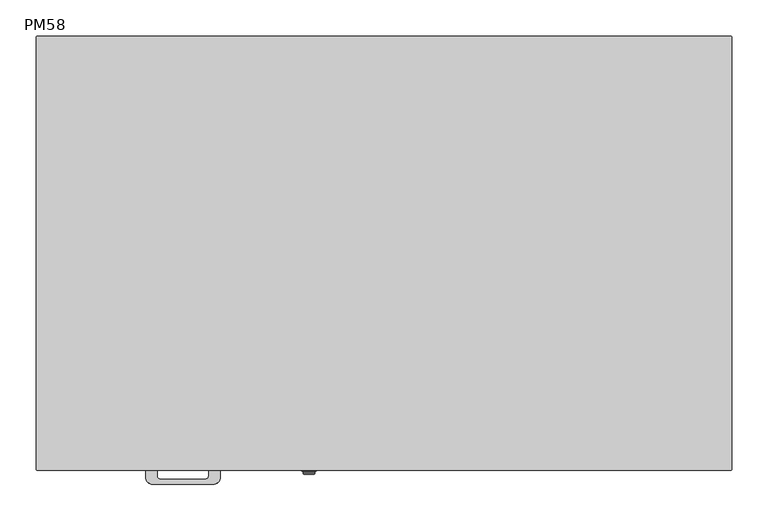
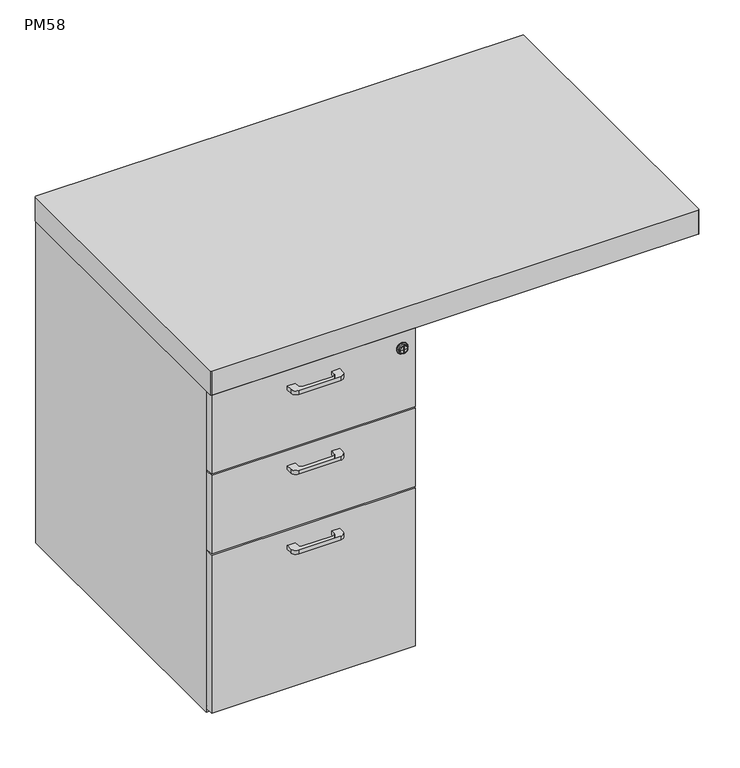
"""IFC4 building model written with IfcOpenShell, lengths in millimetres: furniture geometry, PM58."""

from ifc_helpers import new_model, si_unit, point, frame, frame_2d, origin, place, context, project, spatial, polyline, circle_curve, ellipse_curve, trimmed, segment, composite_curve, outline, extrude, source, transform, mapped, element, save
from ifc_brep_helpers import plane_surface, cylinder_surface, revolved_surface, advanced_brep


def pm58_c7639510(model_context):
    return source(origin(), model_context, "Body", "SolidModel", [
        advanced_brep(
        [(-128.0, 247.0, 1.0), (-98.0, 247.0, 1.0), (-99.0, 247.0, 0.0), (-127.0, 247.0, 0.0), (-128.0, 247.0, 2.0), (-98.0, 247.0, 2.0), (-129.9260237, 247.0, 2.0), (-96.0739763, 247.0, 2.0), (-130.9234824, 247.0, 3.071247), (-95.0765176, 247.0, 3.071247), (-130.5, 247.0, 9.0), (-95.5, 247.0, 9.0), (-113.0, 247.0, 9.0), (-113.0, 247.0, 0.0)],
        [
            (0, 1, circle_curve(frame((-113.0, 247.0, 1.0), z_axis=(0.0, 0.0, -1.0), x_axis=(1.0, 0.0, 0.0)), 15.0)),
            (1, 2, circle_curve(frame((-99.0, 247.0, 1.0), z_axis=(0.0, 1.0, 0.0), x_axis=(1.0, 0.0, 0.0)), 1.0)),
            (2, 3, circle_curve(frame((-113.0, 247.0, 0.0), z_axis=(0.0, 0.0, 1.0), x_axis=(1.0, 0.0, 0.0)), 14.0)),
            (3, 0, circle_curve(frame((-127.0, 247.0, 1.0), z_axis=(0.0, 1.0, 0.0), x_axis=(-1.0, 0.0, 0.0)), 1.0)),
            (1, 0, circle_curve(frame((-113.0, 247.0, 1.0), z_axis=(0.0, 0.0, -1.0), x_axis=(1.0, 0.0, 0.0)), 15.0)),
            (3, 2, circle_curve(frame((-113.0, 247.0, 0.0), z_axis=(0.0, 0.0, 1.0), x_axis=(1.0, 0.0, 0.0)), 14.0)),
            (4, 5, circle_curve(frame((-113.0, 247.0, 2.0), z_axis=(0.0, 0.0, -1.0), x_axis=(1.0, 0.0, 0.0)), 15.0)),
            (5, 1),
            (0, 4),
            (5, 4, circle_curve(frame((-113.0, 247.0, 2.0), z_axis=(0.0, 0.0, -1.0), x_axis=(1.0, 0.0, 0.0)), 15.0)),
            (6, 7, circle_curve(frame((-113.0, 247.0, 2.0), z_axis=(0.0, 0.0, -1.0), x_axis=(1.0, 0.0, 0.0)), 16.9260237)),
            (7, 5),
            (4, 6),
            (7, 6, circle_curve(frame((-113.0, 247.0, 2.0), z_axis=(0.0, 0.0, -1.0), x_axis=(1.0, 0.0, 0.0)), 16.9260237)),
            (8, 9, circle_curve(frame((-113.0, 247.0, 3.071247), z_axis=(0.0, 0.0, -1.0), x_axis=(1.0, 0.0, 0.0)), 17.9234824)),
            (9, 7, circle_curve(frame((-96.0739763, 247.0, 3.0), z_axis=(0.0, 1.0, 0.0), x_axis=(1.0, 0.0, 0.0)), 1.0)),
            (6, 8, circle_curve(frame((-129.9260237, 247.0, 3.0), z_axis=(0.0, 1.0, 0.0), x_axis=(-1.0, 0.0, 0.0)), 1.0)),
            (9, 8, circle_curve(frame((-113.0, 247.0, 3.071247), z_axis=(0.0, 0.0, -1.0), x_axis=(1.0, 0.0, 0.0)), 17.9234824)),
            (10, 11, circle_curve(frame((-113.0, 247.0, 9.0), z_axis=(0.0, 0.0, -1.0), x_axis=(1.0, 0.0, 0.0)), 17.5)),
            (11, 9),
            (8, 10),
            (11, 10, circle_curve(frame((-113.0, 247.0, 9.0), z_axis=(0.0, 0.0, -1.0), x_axis=(1.0, 0.0, 0.0)), 17.5)),
            (12, 11),
            (10, 12),
            (2, 13),
            (13, 3),
        ],
        [
            revolved_surface(trimmed(ellipse_curve(frame((-99.0, 247.0, 1.0), z_axis=(0.0, -1.0, 0.0), x_axis=(1.0, 0.0, 0.0)), 1.0, 1.0), [point((-99.0, 247.0, 0.0))], [point((-98.0, 247.0, 1.0))], True, "CARTESIAN"), (-113.0, 247.0, 14.0), (0.0, 0.0, 1.0)),
            cylinder_surface(frame((-113.0, 247.0, 14.0), z_axis=(0.0, 0.0, 1.0), x_axis=(1.0, 0.0, 0.0)), 15.0),
            plane_surface(frame((-113.0, 247.0, 2.0), z_axis=(0.0, 0.0, -1.0), x_axis=(1.0, 0.0, 0.0))),
            revolved_surface(trimmed(ellipse_curve(frame((-96.0739763, 247.0, 3.0), z_axis=(0.0, -1.0, 0.0), x_axis=(1.0, 0.0, 0.0)), 1.0, 1.0), [point((-96.0739763, 247.0, 2.0))], [point((-95.0765176, 247.0, 3.071247))], True, "CARTESIAN"), (-113.0, 247.0, 14.0), (0.0, 0.0, 1.0)),
            revolved_surface(polyline([(-95.0765176, 247.0, 3.071247), (-95.5, 247.0, 9.0)]), (-113.0, 247.0, 14.0), (0.0, 0.0, 1.0)),
            plane_surface(frame((-113.0, 247.0, 9.0), z_axis=(0.0, 0.0, 1.0), x_axis=(1.0, 0.0, 0.0))),
            plane_surface(frame((-113.0, 247.0, 0.0), z_axis=(0.0, 0.0, -1.0), x_axis=(1.0, 0.0, 0.0))),
        ],
        [
            (0, [[1, 2, 3, 4]]),
            (0, [[5, -4, 6, -2]]),
            (1, [[7, 8, -1, 9]]),
            (1, [[10, -9, -5, -8]]),
            (2, [[11, 12, -7, 13]]),
            (2, [[14, -13, -10, -12]]),
            (3, [[15, 16, -11, 17]]),
            (3, [[18, -17, -14, -16]]),
            (4, [[19, 20, -15, 21]]),
            (4, [[22, -21, -18, -20]]),
            (5, [[23, -19, 24]]),
            (5, [[-24, -22, -23]]),
            (6, [[-3, 25, 26]]),
            (6, [[-6, -26, -25]]),
        ],
    ),
        extrude(outline(composite_curve([segment(trimmed(circle_curve(frame_2d((-97.0, 263.0)), 1.5), [point((-97.0, 264.5))], [point((-95.5, 263.0))], False, "CARTESIAN"), True, "CONTINUOUS"), segment(polyline([(-95.5, 263.0), (-95.5, 231.0)]), True, "CONTINUOUS"), segment(trimmed(circle_curve(frame_2d((-97.0, 231.0)), 1.5), [point((-95.5, 231.0))], [point((-97.0, 229.5))], False, "CARTESIAN"), True, "CONTINUOUS"), segment(polyline([(-97.0, 229.5), (-129.0, 229.5)]), True, "CONTINUOUS"), segment(trimmed(circle_curve(frame_2d((-129.0, 231.0)), 1.5), [point((-129.0, 229.5))], [point((-130.5, 231.0))], False, "CARTESIAN"), True, "CONTINUOUS"), segment(polyline([(-130.5, 231.0), (-130.5, 263.0)]), True, "CONTINUOUS"), segment(trimmed(circle_curve(frame_2d((-129.0, 263.0)), 1.5), [point((-130.5, 263.0))], [point((-129.0, 264.5))], False, "CARTESIAN"), True, "CONTINUOUS"), segment(polyline([(-129.0, 264.5), (-97.0, 264.5)]), True, "CONTINUOUS")], self_intersect=False)), frame((0.0, 0.0, 9.0), z_axis=(0.0, 0.0, 1.0), x_axis=(1.0, 0.0, 0.0)), (0.0, 0.0, 1.0), 11.0),
        advanced_brep(
        [(-458.0, 247.0, 1.0), (-428.0, 247.0, 1.0), (-429.0, 247.0, 0.0), (-457.0, 247.0, 0.0), (-458.0, 247.0, 2.0), (-428.0, 247.0, 2.0), (-459.9260237, 247.0, 2.0), (-426.0739763, 247.0, 2.0), (-460.9234824, 247.0, 3.071247), (-425.0765176, 247.0, 3.071247), (-460.5, 247.0, 9.0), (-425.5, 247.0, 9.0), (-443.0, 247.0, 9.0), (-443.0, 247.0, 0.0)],
        [
            (0, 1, circle_curve(frame((-443.0, 247.0, 1.0), z_axis=(0.0, 0.0, -1.0), x_axis=(1.0, 0.0, 0.0)), 15.0)),
            (1, 2, circle_curve(frame((-429.0, 247.0, 1.0), z_axis=(0.0, 1.0, 0.0), x_axis=(1.0, 0.0, 0.0)), 1.0)),
            (2, 3, circle_curve(frame((-443.0, 247.0, 0.0), z_axis=(0.0, 0.0, 1.0), x_axis=(1.0, 0.0, 0.0)), 14.0)),
            (3, 0, circle_curve(frame((-457.0, 247.0, 1.0), z_axis=(0.0, 1.0, 0.0), x_axis=(-1.0, 0.0, 0.0)), 1.0)),
            (1, 0, circle_curve(frame((-443.0, 247.0, 1.0), z_axis=(0.0, 0.0, -1.0), x_axis=(1.0, 0.0, 0.0)), 15.0)),
            (3, 2, circle_curve(frame((-443.0, 247.0, 0.0), z_axis=(0.0, 0.0, 1.0), x_axis=(1.0, 0.0, 0.0)), 14.0)),
            (4, 5, circle_curve(frame((-443.0, 247.0, 2.0), z_axis=(0.0, 0.0, -1.0), x_axis=(1.0, 0.0, 0.0)), 15.0)),
            (5, 1),
            (0, 4),
            (5, 4, circle_curve(frame((-443.0, 247.0, 2.0), z_axis=(0.0, 0.0, -1.0), x_axis=(1.0, 0.0, 0.0)), 15.0)),
            (6, 7, circle_curve(frame((-443.0, 247.0, 2.0), z_axis=(0.0, 0.0, -1.0), x_axis=(1.0, 0.0, 0.0)), 16.9260237)),
            (7, 5),
            (4, 6),
            (7, 6, circle_curve(frame((-443.0, 247.0, 2.0), z_axis=(0.0, 0.0, -1.0), x_axis=(1.0, 0.0, 0.0)), 16.9260237)),
            (8, 9, circle_curve(frame((-443.0, 247.0, 3.071247), z_axis=(0.0, 0.0, -1.0), x_axis=(1.0, 0.0, 0.0)), 17.9234824)),
            (9, 7, circle_curve(frame((-426.0739763, 247.0, 3.0), z_axis=(0.0, 1.0, 0.0), x_axis=(1.0, 0.0, 0.0)), 1.0)),
            (6, 8, circle_curve(frame((-459.9260237, 247.0, 3.0), z_axis=(0.0, 1.0, 0.0), x_axis=(-1.0, 0.0, 0.0)), 1.0)),
            (9, 8, circle_curve(frame((-443.0, 247.0, 3.071247), z_axis=(0.0, 0.0, -1.0), x_axis=(1.0, 0.0, 0.0)), 17.9234824)),
            (10, 11, circle_curve(frame((-443.0, 247.0, 9.0), z_axis=(0.0, 0.0, -1.0), x_axis=(1.0, 0.0, 0.0)), 17.5)),
            (11, 9),
            (8, 10),
            (11, 10, circle_curve(frame((-443.0, 247.0, 9.0), z_axis=(0.0, 0.0, -1.0), x_axis=(1.0, 0.0, 0.0)), 17.5)),
            (12, 11),
            (10, 12),
            (2, 13),
            (13, 3),
        ],
        [
            revolved_surface(trimmed(ellipse_curve(frame((-429.0, 247.0, 1.0), z_axis=(0.0, -1.0, 0.0), x_axis=(1.0, 0.0, 0.0)), 1.0, 1.0), [point((-429.0, 247.0, 0.0))], [point((-428.0, 247.0, 1.0))], True, "CARTESIAN"), (-443.0, 247.0, 14.0), (0.0, 0.0, 1.0)),
            cylinder_surface(frame((-443.0, 247.0, 14.0), z_axis=(0.0, 0.0, 1.0), x_axis=(1.0, 0.0, 0.0)), 15.0),
            plane_surface(frame((-443.0, 247.0, 2.0), z_axis=(0.0, 0.0, -1.0), x_axis=(1.0, 0.0, 0.0))),
            revolved_surface(trimmed(ellipse_curve(frame((-426.0739763, 247.0, 3.0), z_axis=(0.0, -1.0, 0.0), x_axis=(1.0, 0.0, 0.0)), 1.0, 1.0), [point((-426.0739763, 247.0, 2.0))], [point((-425.0765176, 247.0, 3.071247))], True, "CARTESIAN"), (-443.0, 247.0, 14.0), (0.0, 0.0, 1.0)),
            revolved_surface(polyline([(-425.0765176, 247.0, 3.071247), (-425.5, 247.0, 9.0)]), (-443.0, 247.0, 14.0), (0.0, 0.0, 1.0)),
            plane_surface(frame((-443.0, 247.0, 9.0), z_axis=(0.0, 0.0, 1.0), x_axis=(1.0, 0.0, 0.0))),
            plane_surface(frame((-443.0, 247.0, 0.0), z_axis=(0.0, 0.0, -1.0), x_axis=(1.0, 0.0, 0.0))),
        ],
        [
            (0, [[1, 2, 3, 4]]),
            (0, [[5, -4, 6, -2]]),
            (1, [[7, 8, -1, 9]]),
            (1, [[10, -9, -5, -8]]),
            (2, [[11, 12, -7, 13]]),
            (2, [[14, -13, -10, -12]]),
            (3, [[15, 16, -11, 17]]),
            (3, [[18, -17, -14, -16]]),
            (4, [[19, 20, -15, 21]]),
            (4, [[22, -21, -18, -20]]),
            (5, [[23, -19, 24]]),
            (5, [[-24, -22, -23]]),
            (6, [[-3, 25, 26]]),
            (6, [[-6, -26, -25]]),
        ],
    ),
        extrude(outline(composite_curve([segment(trimmed(circle_curve(frame_2d((-427.0, 263.0)), 1.5), [point((-427.0, 264.5))], [point((-425.5, 263.0))], False, "CARTESIAN"), True, "CONTINUOUS"), segment(polyline([(-425.5, 263.0), (-425.5, 231.0)]), True, "CONTINUOUS"), segment(trimmed(circle_curve(frame_2d((-427.0, 231.0)), 1.5), [point((-425.5, 231.0))], [point((-427.0, 229.5))], False, "CARTESIAN"), True, "CONTINUOUS"), segment(polyline([(-427.0, 229.5), (-459.0, 229.5)]), True, "CONTINUOUS"), segment(trimmed(circle_curve(frame_2d((-459.0, 231.0)), 1.5), [point((-459.0, 229.5))], [point((-460.5, 231.0))], False, "CARTESIAN"), True, "CONTINUOUS"), segment(polyline([(-460.5, 231.0), (-460.5, 263.0)]), True, "CONTINUOUS"), segment(trimmed(circle_curve(frame_2d((-459.0, 263.0)), 1.5), [point((-460.5, 263.0))], [point((-459.0, 264.5))], False, "CARTESIAN"), True, "CONTINUOUS"), segment(polyline([(-459.0, 264.5), (-427.0, 264.5)]), True, "CONTINUOUS")], self_intersect=False)), frame((0.0, 0.0, 9.0), z_axis=(0.0, 0.0, 1.0), x_axis=(1.0, 0.0, 0.0)), (0.0, 0.0, 1.0), 11.0),
        advanced_brep(
        [(-128.0, -235.0, 1.0), (-98.0, -235.0, 1.0), (-99.0, -235.0, 0.0), (-127.0, -235.0, 0.0), (-128.0, -235.0, 2.0), (-98.0, -235.0, 2.0), (-129.9260237, -235.0, 2.0), (-96.0739763, -235.0, 2.0), (-130.9234824, -235.0, 3.071247), (-95.0765176, -235.0, 3.071247), (-130.5, -235.0, 9.0), (-95.5, -235.0, 9.0), (-113.0, -235.0, 9.0), (-113.0, -235.0, 0.0)],
        [
            (0, 1, circle_curve(frame((-113.0, -235.0, 1.0), z_axis=(0.0, 0.0, -1.0), x_axis=(1.0, 0.0, 0.0)), 15.0)),
            (1, 2, circle_curve(frame((-99.0, -235.0, 1.0), z_axis=(0.0, 1.0, 0.0), x_axis=(1.0, 0.0, 0.0)), 1.0)),
            (2, 3, circle_curve(frame((-113.0, -235.0, 0.0), z_axis=(0.0, 0.0, 1.0), x_axis=(1.0, 0.0, 0.0)), 14.0)),
            (3, 0, circle_curve(frame((-127.0, -235.0, 1.0), z_axis=(0.0, 1.0, 0.0), x_axis=(-1.0, 0.0, 0.0)), 1.0)),
            (1, 0, circle_curve(frame((-113.0, -235.0, 1.0), z_axis=(0.0, 0.0, -1.0), x_axis=(1.0, 0.0, 0.0)), 15.0)),
            (3, 2, circle_curve(frame((-113.0, -235.0, 0.0), z_axis=(0.0, 0.0, 1.0), x_axis=(1.0, 0.0, 0.0)), 14.0)),
            (4, 5, circle_curve(frame((-113.0, -235.0, 2.0), z_axis=(0.0, 0.0, -1.0), x_axis=(1.0, 0.0, 0.0)), 15.0)),
            (5, 1),
            (0, 4),
            (5, 4, circle_curve(frame((-113.0, -235.0, 2.0), z_axis=(0.0, 0.0, -1.0), x_axis=(1.0, 0.0, 0.0)), 15.0)),
            (6, 7, circle_curve(frame((-113.0, -235.0, 2.0), z_axis=(0.0, 0.0, -1.0), x_axis=(1.0, 0.0, 0.0)), 16.9260237)),
            (7, 5),
            (4, 6),
            (7, 6, circle_curve(frame((-113.0, -235.0, 2.0), z_axis=(0.0, 0.0, -1.0), x_axis=(1.0, 0.0, 0.0)), 16.9260237)),
            (8, 9, circle_curve(frame((-113.0, -235.0, 3.071247), z_axis=(0.0, 0.0, -1.0), x_axis=(1.0, 0.0, 0.0)), 17.9234824)),
            (9, 7, circle_curve(frame((-96.0739763, -235.0, 3.0), z_axis=(0.0, 1.0, 0.0), x_axis=(1.0, 0.0, 0.0)), 1.0)),
            (6, 8, circle_curve(frame((-129.9260237, -235.0, 3.0), z_axis=(0.0, 1.0, 0.0), x_axis=(-1.0, 0.0, 0.0)), 1.0)),
            (9, 8, circle_curve(frame((-113.0, -235.0, 3.071247), z_axis=(0.0, 0.0, -1.0), x_axis=(1.0, 0.0, 0.0)), 17.9234824)),
            (10, 11, circle_curve(frame((-113.0, -235.0, 9.0), z_axis=(0.0, 0.0, -1.0), x_axis=(1.0, 0.0, 0.0)), 17.5)),
            (11, 9),
            (8, 10),
            (11, 10, circle_curve(frame((-113.0, -235.0, 9.0), z_axis=(0.0, 0.0, -1.0), x_axis=(1.0, 0.0, 0.0)), 17.5)),
            (12, 11),
            (10, 12),
            (2, 13),
            (13, 3),
        ],
        [
            revolved_surface(trimmed(ellipse_curve(frame((-99.0, -235.0, 1.0), z_axis=(0.0, -1.0, 0.0), x_axis=(1.0, 0.0, 0.0)), 1.0, 1.0), [point((-99.0, -235.0, 0.0))], [point((-98.0, -235.0, 1.0))], True, "CARTESIAN"), (-113.0, -235.0, 14.0), (0.0, 0.0, 1.0)),
            cylinder_surface(frame((-113.0, -235.0, 14.0), z_axis=(0.0, 0.0, 1.0), x_axis=(1.0, 0.0, 0.0)), 15.0),
            plane_surface(frame((-113.0, -235.0, 2.0), z_axis=(0.0, 0.0, -1.0), x_axis=(1.0, 0.0, 0.0))),
            revolved_surface(trimmed(ellipse_curve(frame((-96.0739763, -235.0, 3.0), z_axis=(0.0, -1.0, 0.0), x_axis=(1.0, 0.0, 0.0)), 1.0, 1.0), [point((-96.0739763, -235.0, 2.0))], [point((-95.0765176, -235.0, 3.071247))], True, "CARTESIAN"), (-113.0, -235.0, 14.0), (0.0, 0.0, 1.0)),
            revolved_surface(polyline([(-95.0765176, -235.0, 3.071247), (-95.5, -235.0, 9.0)]), (-113.0, -235.0, 14.0), (0.0, 0.0, 1.0)),
            plane_surface(frame((-113.0, -235.0, 9.0), z_axis=(0.0, 0.0, 1.0), x_axis=(1.0, 0.0, 0.0))),
            plane_surface(frame((-113.0, -235.0, 0.0), z_axis=(0.0, 0.0, -1.0), x_axis=(1.0, 0.0, 0.0))),
        ],
        [
            (0, [[1, 2, 3, 4]]),
            (0, [[5, -4, 6, -2]]),
            (1, [[7, 8, -1, 9]]),
            (1, [[10, -9, -5, -8]]),
            (2, [[11, 12, -7, 13]]),
            (2, [[14, -13, -10, -12]]),
            (3, [[15, 16, -11, 17]]),
            (3, [[18, -17, -14, -16]]),
            (4, [[19, 20, -15, 21]]),
            (4, [[22, -21, -18, -20]]),
            (5, [[23, -19, 24]]),
            (5, [[-24, -22, -23]]),
            (6, [[-3, 25, 26]]),
            (6, [[-6, -26, -25]]),
        ],
    ),
        extrude(outline(composite_curve([segment(trimmed(circle_curve(frame_2d((-97.0, -219.0)), 1.5), [point((-97.0, -217.5))], [point((-95.5, -219.0))], False, "CARTESIAN"), True, "CONTINUOUS"), segment(polyline([(-95.5, -219.0), (-95.5, -251.0)]), True, "CONTINUOUS"), segment(trimmed(circle_curve(frame_2d((-97.0, -251.0)), 1.5), [point((-95.5, -251.0))], [point((-97.0, -252.5))], False, "CARTESIAN"), True, "CONTINUOUS"), segment(polyline([(-97.0, -252.5), (-129.0, -252.5)]), True, "CONTINUOUS"), segment(trimmed(circle_curve(frame_2d((-129.0, -251.0)), 1.5), [point((-129.0, -252.5))], [point((-130.5, -251.0))], False, "CARTESIAN"), True, "CONTINUOUS"), segment(polyline([(-130.5, -251.0), (-130.5, -219.0)]), True, "CONTINUOUS"), segment(trimmed(circle_curve(frame_2d((-129.0, -219.0)), 1.5), [point((-130.5, -219.0))], [point((-129.0, -217.5))], False, "CARTESIAN"), True, "CONTINUOUS"), segment(polyline([(-129.0, -217.5), (-97.0, -217.5)]), True, "CONTINUOUS")], self_intersect=False)), frame((0.0, 0.0, 9.0), z_axis=(0.0, 0.0, 1.0), x_axis=(1.0, 0.0, 0.0)), (0.0, 0.0, 1.0), 11.0),
        advanced_brep(
        [(-458.0, -235.0, 1.0), (-428.0, -235.0, 1.0), (-429.0, -235.0, 0.0), (-457.0, -235.0, 0.0), (-458.0, -235.0, 2.0), (-428.0, -235.0, 2.0), (-459.9260237, -235.0, 2.0), (-426.0739763, -235.0, 2.0), (-460.9234824, -235.0, 3.071247), (-425.0765176, -235.0, 3.071247), (-460.5, -235.0, 9.0), (-425.5, -235.0, 9.0), (-443.0, -235.0, 9.0), (-443.0, -235.0, 0.0)],
        [
            (0, 1, circle_curve(frame((-443.0, -235.0, 1.0), z_axis=(0.0, 0.0, -1.0), x_axis=(1.0, 0.0, 0.0)), 15.0)),
            (1, 2, circle_curve(frame((-429.0, -235.0, 1.0), z_axis=(0.0, 1.0, 0.0), x_axis=(1.0, 0.0, 0.0)), 1.0)),
            (2, 3, circle_curve(frame((-443.0, -235.0, 0.0), z_axis=(0.0, 0.0, 1.0), x_axis=(1.0, 0.0, 0.0)), 14.0)),
            (3, 0, circle_curve(frame((-457.0, -235.0, 1.0), z_axis=(0.0, 1.0, 0.0), x_axis=(-1.0, 0.0, 0.0)), 1.0)),
            (1, 0, circle_curve(frame((-443.0, -235.0, 1.0), z_axis=(0.0, 0.0, -1.0), x_axis=(1.0, 0.0, 0.0)), 15.0)),
            (3, 2, circle_curve(frame((-443.0, -235.0, 0.0), z_axis=(0.0, 0.0, 1.0), x_axis=(1.0, 0.0, 0.0)), 14.0)),
            (4, 5, circle_curve(frame((-443.0, -235.0, 2.0), z_axis=(0.0, 0.0, -1.0), x_axis=(1.0, 0.0, 0.0)), 15.0)),
            (5, 1),
            (0, 4),
            (5, 4, circle_curve(frame((-443.0, -235.0, 2.0), z_axis=(0.0, 0.0, -1.0), x_axis=(1.0, 0.0, 0.0)), 15.0)),
            (6, 7, circle_curve(frame((-443.0, -235.0, 2.0), z_axis=(0.0, 0.0, -1.0), x_axis=(1.0, 0.0, 0.0)), 16.9260237)),
            (7, 5),
            (4, 6),
            (7, 6, circle_curve(frame((-443.0, -235.0, 2.0), z_axis=(0.0, 0.0, -1.0), x_axis=(1.0, 0.0, 0.0)), 16.9260237)),
            (8, 9, circle_curve(frame((-443.0, -235.0, 3.071247), z_axis=(0.0, 0.0, -1.0), x_axis=(1.0, 0.0, 0.0)), 17.9234824)),
            (9, 7, circle_curve(frame((-426.0739763, -235.0, 3.0), z_axis=(0.0, 1.0, 0.0), x_axis=(1.0, 0.0, 0.0)), 1.0)),
            (6, 8, circle_curve(frame((-459.9260237, -235.0, 3.0), z_axis=(0.0, 1.0, 0.0), x_axis=(-1.0, 0.0, 0.0)), 1.0)),
            (9, 8, circle_curve(frame((-443.0, -235.0, 3.071247), z_axis=(0.0, 0.0, -1.0), x_axis=(1.0, 0.0, 0.0)), 17.9234824)),
            (10, 11, circle_curve(frame((-443.0, -235.0, 9.0), z_axis=(0.0, 0.0, -1.0), x_axis=(1.0, 0.0, 0.0)), 17.5)),
            (11, 9),
            (8, 10),
            (11, 10, circle_curve(frame((-443.0, -235.0, 9.0), z_axis=(0.0, 0.0, -1.0), x_axis=(1.0, 0.0, 0.0)), 17.5)),
            (12, 11),
            (10, 12),
            (2, 13),
            (13, 3),
        ],
        [
            revolved_surface(trimmed(ellipse_curve(frame((-429.0, -235.0, 1.0), z_axis=(0.0, -1.0, 0.0), x_axis=(1.0, 0.0, 0.0)), 1.0, 1.0), [point((-429.0, -235.0, 0.0))], [point((-428.0, -235.0, 1.0))], True, "CARTESIAN"), (-443.0, -235.0, 14.0), (0.0, 0.0, 1.0)),
            cylinder_surface(frame((-443.0, -235.0, 14.0), z_axis=(0.0, 0.0, 1.0), x_axis=(1.0, 0.0, 0.0)), 15.0),
            plane_surface(frame((-443.0, -235.0, 2.0), z_axis=(0.0, 0.0, -1.0), x_axis=(1.0, 0.0, 0.0))),
            revolved_surface(trimmed(ellipse_curve(frame((-426.0739763, -235.0, 3.0), z_axis=(0.0, -1.0, 0.0), x_axis=(1.0, 0.0, 0.0)), 1.0, 1.0), [point((-426.0739763, -235.0, 2.0))], [point((-425.0765176, -235.0, 3.071247))], True, "CARTESIAN"), (-443.0, -235.0, 14.0), (0.0, 0.0, 1.0)),
            revolved_surface(polyline([(-425.0765176, -235.0, 3.071247), (-425.5, -235.0, 9.0)]), (-443.0, -235.0, 14.0), (0.0, 0.0, 1.0)),
            plane_surface(frame((-443.0, -235.0, 9.0), z_axis=(0.0, 0.0, 1.0), x_axis=(1.0, 0.0, 0.0))),
            plane_surface(frame((-443.0, -235.0, 0.0), z_axis=(0.0, 0.0, -1.0), x_axis=(1.0, 0.0, 0.0))),
        ],
        [
            (0, [[1, 2, 3, 4]]),
            (0, [[5, -4, 6, -2]]),
            (1, [[7, 8, -1, 9]]),
            (1, [[10, -9, -5, -8]]),
            (2, [[11, 12, -7, 13]]),
            (2, [[14, -13, -10, -12]]),
            (3, [[15, 16, -11, 17]]),
            (3, [[18, -17, -14, -16]]),
            (4, [[19, 20, -15, 21]]),
            (4, [[22, -21, -18, -20]]),
            (5, [[23, -19, 24]]),
            (5, [[-24, -22, -23]]),
            (6, [[-3, 25, 26]]),
            (6, [[-6, -26, -25]]),
        ],
    ),
        extrude(outline(composite_curve([segment(trimmed(circle_curve(frame_2d((-427.0, -219.0)), 1.5), [point((-427.0, -217.5))], [point((-425.5, -219.0))], False, "CARTESIAN"), True, "CONTINUOUS"), segment(polyline([(-425.5, -219.0), (-425.5, -251.0)]), True, "CONTINUOUS"), segment(trimmed(circle_curve(frame_2d((-427.0, -251.0)), 1.5), [point((-425.5, -251.0))], [point((-427.0, -252.5))], False, "CARTESIAN"), True, "CONTINUOUS"), segment(polyline([(-427.0, -252.5), (-459.0, -252.5)]), True, "CONTINUOUS"), segment(trimmed(circle_curve(frame_2d((-459.0, -251.0)), 1.5), [point((-459.0, -252.5))], [point((-460.5, -251.0))], False, "CARTESIAN"), True, "CONTINUOUS"), segment(polyline([(-460.5, -251.0), (-460.5, -219.0)]), True, "CONTINUOUS"), segment(trimmed(circle_curve(frame_2d((-459.0, -219.0)), 1.5), [point((-460.5, -219.0))], [point((-459.0, -217.5))], False, "CARTESIAN"), True, "CONTINUOUS"), segment(polyline([(-459.0, -217.5), (-427.0, -217.5)]), True, "CONTINUOUS")], self_intersect=False)), frame((0.0, 0.0, 9.0), z_axis=(0.0, 0.0, 1.0), x_axis=(1.0, 0.0, 0.0)), (0.0, 0.0, 1.0), 11.0),
        extrude(outline(composite_curve([segment(polyline([(-313.0, -298.0), (-313.0, -307.0)]), True, "CONTINUOUS"), segment(trimmed(circle_curve(frame_2d((-308.0, -307.0)), 5.0), [point((-313.0, -307.0))], [point((-308.0, -312.0))], True, "CARTESIAN"), True, "CONTINUOUS"), segment(polyline([(-308.0, -312.0), (-247.0, -312.0)]), True, "CONTINUOUS"), segment(trimmed(circle_curve(frame_2d((-247.0, -307.0)), 5.0), [point((-247.0, -312.0))], [point((-242.0, -307.0))], True, "CARTESIAN"), True, "CONTINUOUS"), segment(polyline([(-242.0, -307.0), (-242.0, -298.0), (-226.0, -298.0), (-226.0, -309.0)]), True, "CONTINUOUS"), segment(trimmed(circle_curve(frame_2d((-236.0, -309.0)), 10.0), [point((-226.0, -309.0))], [point((-236.0, -319.0))], False, "CARTESIAN"), True, "CONTINUOUS"), segment(polyline([(-236.0, -319.0), (-319.0, -319.0)]), True, "CONTINUOUS"), segment(trimmed(circle_curve(frame_2d((-319.0, -309.0)), 10.0), [point((-319.0, -319.0))], [point((-329.0, -309.0))], False, "CARTESIAN"), True, "CONTINUOUS"), segment(polyline([(-329.0, -309.0), (-329.0, -298.0), (-313.0, -298.0)]), True, "CONTINUOUS")], self_intersect=False)), frame((0.0, 0.0, 315.5), z_axis=(0.0, 0.0, 1.0), x_axis=(1.0, 0.0, 0.0)), (0.0, 0.0, 1.0), 8.0),
        extrude(outline(composite_curve([segment(polyline([(-313.0, -298.0), (-313.0, -307.0)]), True, "CONTINUOUS"), segment(trimmed(circle_curve(frame_2d((-308.0, -307.0)), 5.0), [point((-313.0, -307.0))], [point((-308.0, -312.0))], True, "CARTESIAN"), True, "CONTINUOUS"), segment(polyline([(-308.0, -312.0), (-247.0, -312.0)]), True, "CONTINUOUS"), segment(trimmed(circle_curve(frame_2d((-247.0, -307.0)), 5.0), [point((-247.0, -312.0))], [point((-242.0, -307.0))], True, "CARTESIAN"), True, "CONTINUOUS"), segment(polyline([(-242.0, -307.0), (-242.0, -298.0), (-226.0, -298.0), (-226.0, -309.0)]), True, "CONTINUOUS"), segment(trimmed(circle_curve(frame_2d((-236.0, -309.0)), 10.0), [point((-226.0, -309.0))], [point((-236.0, -319.0))], False, "CARTESIAN"), True, "CONTINUOUS"), segment(polyline([(-236.0, -319.0), (-319.0, -319.0)]), True, "CONTINUOUS"), segment(trimmed(circle_curve(frame_2d((-319.0, -309.0)), 10.0), [point((-319.0, -319.0))], [point((-329.0, -309.0))], False, "CARTESIAN"), True, "CONTINUOUS"), segment(polyline([(-329.0, -309.0), (-329.0, -298.0), (-313.0, -298.0)]), True, "CONTINUOUS")], self_intersect=False)), frame((0.0, 0.0, 481.5), z_axis=(0.0, 0.0, 1.0), x_axis=(1.0, 0.0, 0.0)), (0.0, 0.0, 1.0), 8.0),
        extrude(outline(composite_curve([segment(polyline([(-313.0, -298.0), (-313.0, -307.0)]), True, "CONTINUOUS"), segment(trimmed(circle_curve(frame_2d((-308.0, -307.0)), 5.0), [point((-313.0, -307.0))], [point((-308.0, -312.0))], True, "CARTESIAN"), True, "CONTINUOUS"), segment(polyline([(-308.0, -312.0), (-247.0, -312.0)]), True, "CONTINUOUS"), segment(trimmed(circle_curve(frame_2d((-247.0, -307.0)), 5.0), [point((-247.0, -312.0))], [point((-242.0, -307.0))], True, "CARTESIAN"), True, "CONTINUOUS"), segment(polyline([(-242.0, -307.0), (-242.0, -298.0), (-226.0, -298.0), (-226.0, -309.0)]), True, "CONTINUOUS"), segment(trimmed(circle_curve(frame_2d((-236.0, -309.0)), 10.0), [point((-226.0, -309.0))], [point((-236.0, -319.0))], False, "CARTESIAN"), True, "CONTINUOUS"), segment(polyline([(-236.0, -319.0), (-319.0, -319.0)]), True, "CONTINUOUS"), segment(trimmed(circle_curve(frame_2d((-319.0, -309.0)), 10.0), [point((-319.0, -319.0))], [point((-329.0, -309.0))], False, "CARTESIAN"), True, "CONTINUOUS"), segment(polyline([(-329.0, -309.0), (-329.0, -298.0), (-313.0, -298.0)]), True, "CONTINUOUS")], self_intersect=False)), frame((0.0, 0.0, 647.5), z_axis=(0.0, 0.0, 1.0), x_axis=(1.0, 0.0, 0.0)), (0.0, 0.0, 1.0), 8.0),
        advanced_brep(
        [(-103.5, -298.0, 656.0), (-92.5, -298.0, 656.0), (-114.5, -298.0, 656.0), (-110.5, -305.0, 656.0), (-96.5, -305.0, 656.0), (-102.0, -305.0, 656.0), (-102.0, -305.0, 649.5), (-105.0, -305.0, 649.5), (-105.0, -305.0, 656.0), (-105.0, -305.0, 662.5), (-102.0, -305.0, 662.5), (-111.5, -304.0, 656.0), (-95.5, -304.0, 656.0), (-111.5, -300.0, 656.0), (-95.5, -300.0, 656.0), (-112.5, -300.0, 656.0), (-94.5, -300.0, 656.0), (-112.5, -301.0, 656.0), (-94.5, -301.0, 656.0), (-113.9472136, -300.2763932, 656.0), (-93.0527864, -300.2763932, 656.0), (-114.5, -299.381966, 656.0), (-92.5, -299.381966, 656.0), (-102.0, -301.0, 662.5), (-105.0, -301.0, 662.5), (-105.0, -301.0, 649.5), (-102.0, -301.0, 649.5)],
        [
            (0, 1),
            (1, 2, circle_curve(frame((-103.5, -298.0, 656.0), z_axis=(0.0, 1.0, 0.0), x_axis=(1.0, 0.0, 0.0)), 11.0)),
            (2, 0),
            (2, 1, circle_curve(frame((-103.5, -298.0, 656.0), z_axis=(0.0, 1.0, 0.0), x_axis=(1.0, 0.0, 0.0)), 11.0)),
            (3, 4, circle_curve(frame((-103.5, -305.0, 656.0), z_axis=(0.0, -1.0, 0.0), x_axis=(1.0, 0.0, 0.0)), 7.0)),
            (4, 5),
            (5, 6),
            (6, 7),
            (7, 8),
            (8, 3),
            (4, 3, circle_curve(frame((-103.5, -305.0, 656.0), z_axis=(0.0, -1.0, 0.0), x_axis=(1.0, 0.0, 0.0)), 7.0)),
            (8, 9),
            (9, 10),
            (10, 5),
            (3, 11, circle_curve(frame((-110.5, -304.0, 656.0), z_axis=(0.0, 0.0, -1.0), x_axis=(-1.0, 0.0, 0.0)), 1.0)),
            (11, 12, circle_curve(frame((-103.5, -304.0, 656.0), z_axis=(0.0, -1.0, 0.0), x_axis=(1.0, 0.0, 0.0)), 8.0)),
            (12, 4, circle_curve(frame((-96.5, -304.0, 656.0), z_axis=(0.0, 0.0, -1.0), x_axis=(1.0, 0.0, 0.0)), 1.0)),
            (12, 11, circle_curve(frame((-103.5, -304.0, 656.0), z_axis=(0.0, -1.0, 0.0), x_axis=(1.0, 0.0, 0.0)), 8.0)),
            (11, 13),
            (13, 14, circle_curve(frame((-103.5, -300.0, 656.0), z_axis=(0.0, -1.0, 0.0), x_axis=(1.0, 0.0, 0.0)), 8.0)),
            (14, 12),
            (14, 13, circle_curve(frame((-103.5, -300.0, 656.0), z_axis=(0.0, -1.0, 0.0), x_axis=(1.0, 0.0, 0.0)), 8.0)),
            (13, 15),
            (15, 16, circle_curve(frame((-103.5, -300.0, 656.0), z_axis=(0.0, -1.0, 0.0), x_axis=(1.0, 0.0, 0.0)), 9.0)),
            (16, 14),
            (16, 15, circle_curve(frame((-103.5, -300.0, 656.0), z_axis=(0.0, -1.0, 0.0), x_axis=(1.0, 0.0, 0.0)), 9.0)),
            (15, 17),
            (17, 18, circle_curve(frame((-103.5, -301.0, 656.0), z_axis=(0.0, -1.0, 0.0), x_axis=(1.0, 0.0, 0.0)), 9.0)),
            (18, 16),
            (18, 17, circle_curve(frame((-103.5, -301.0, 656.0), z_axis=(0.0, -1.0, 0.0), x_axis=(1.0, 0.0, 0.0)), 9.0)),
            (17, 19),
            (19, 20, circle_curve(frame((-103.5, -300.2763932, 656.0), z_axis=(0.0, -1.0, 0.0), x_axis=(1.0, 0.0, 0.0)), 10.4472136)),
            (20, 18),
            (20, 19, circle_curve(frame((-103.5, -300.2763932, 656.0), z_axis=(0.0, -1.0, 0.0), x_axis=(1.0, 0.0, 0.0)), 10.4472136)),
            (19, 21, circle_curve(frame((-113.5, -299.381966, 656.0), z_axis=(0.0, 0.0, -1.0), x_axis=(-1.0, 0.0, 0.0)), 1.0)),
            (21, 22, circle_curve(frame((-103.5, -299.381966, 656.0), z_axis=(0.0, -1.0, 0.0), x_axis=(1.0, 0.0, 0.0)), 11.0)),
            (22, 20, circle_curve(frame((-93.5, -299.381966, 656.0), z_axis=(0.0, 0.0, -1.0), x_axis=(1.0, 0.0, 0.0)), 1.0)),
            (22, 21, circle_curve(frame((-103.5, -299.381966, 656.0), z_axis=(0.0, -1.0, 0.0), x_axis=(1.0, 0.0, 0.0)), 11.0)),
            (1, 22),
            (21, 2),
            (23, 24),
            (24, 25),
            (25, 26),
            (26, 23),
            (23, 10),
            (9, 24),
            (7, 25),
            (6, 26),
        ],
        [
            plane_surface(frame((-103.5, -298.0, 656.0), z_axis=(0.0, 1.0, 0.0), x_axis=(1.0, 0.0, 0.0))),
            plane_surface(frame((-103.5, -305.0, 656.0), z_axis=(0.0, -1.0, 0.0), x_axis=(1.0, 0.0, 0.0))),
            revolved_surface(trimmed(ellipse_curve(frame((-96.5, -304.0, 656.0), z_axis=(0.0, 0.0, 1.0), x_axis=(1.0, 0.0, 0.0)), 1.0, 1.0), [point((-96.5, -305.0, 656.0))], [point((-95.5, -304.0, 656.0))], True, "CARTESIAN"), (-103.5, 1184.5791904, 656.0), (0.0, 1.0, 0.0)),
            cylinder_surface(frame((-103.5, 1184.5791904, 656.0), z_axis=(0.0, 1.0, 0.0), x_axis=(1.0, 0.0, 0.0)), 8.0),
            plane_surface(frame((-103.5, -300.0, 656.0), z_axis=(0.0, -1.0, 0.0), x_axis=(1.0, 0.0, 0.0))),
            revolved_surface(polyline([(-94.5, -300.0, 656.0), (-94.5, -301.0, 656.0)]), (-103.5, 1184.5791904, 656.0), (0.0, 1.0, 0.0)),
            revolved_surface(polyline([(-94.5, -301.0, 656.0), (-93.0527864, -300.2763932, 656.0)]), (-103.5, 1184.5791904, 656.0), (0.0, 1.0, 0.0)),
            revolved_surface(trimmed(ellipse_curve(frame((-93.5, -299.381966, 656.0), z_axis=(0.0, 0.0, 1.0), x_axis=(1.0, 0.0, 0.0)), 1.0, 1.0), [point((-93.0527864, -300.2763932, 656.0))], [point((-92.5, -299.381966, 656.0))], True, "CARTESIAN"), (-103.5, 1184.5791904, 656.0), (0.0, 1.0, 0.0)),
            cylinder_surface(frame((-103.5, 1184.5791904, 656.0), z_axis=(0.0, 1.0, 0.0), x_axis=(1.0, 0.0, 0.0)), 11.0),
            plane_surface(frame((-105.0, -301.0, 662.5), z_axis=(0.0, -1.0, 0.0), x_axis=(1.0, 0.0, 0.0))),
            plane_surface(frame((-102.0, -305.0, 662.5), z_axis=(0.0, 0.0, -1.0), x_axis=(0.0, 1.0, 0.0))),
            plane_surface(frame((-105.0, -305.0, 662.5), z_axis=(1.0, 0.0, 0.0), x_axis=(0.0, 1.0, 0.0))),
            plane_surface(frame((-105.0, -305.0, 649.5), z_axis=(0.0, 0.0, 1.0), x_axis=(0.0, 1.0, 0.0))),
            plane_surface(frame((-102.0, -305.0, 649.5), z_axis=(-1.0, 0.0, 0.0), x_axis=(0.0, 1.0, 0.0))),
        ],
        [
            (0, [[1, 2, 3]]),
            (0, [[-1, -3, 4]]),
            (1, [[5, 6, 7, 8, 9, 10]]),
            (1, [[11, -10, 12, 13, 14, -6]]),
            (2, [[-5, 15, 16, 17]]),
            (2, [[-11, -17, 18, -15]]),
            (3, [[-16, 19, 20, 21]]),
            (3, [[-18, -21, 22, -19]]),
            (4, [[-20, 23, 24, 25]]),
            (4, [[-22, -25, 26, -23]]),
            (5, [[-24, 27, 28, 29]]),
            (5, [[-26, -29, 30, -27]]),
            (6, [[-28, 31, 32, 33]]),
            (6, [[-30, -33, 34, -31]]),
            (7, [[-32, 35, 36, 37]]),
            (7, [[-34, -37, 38, -35]]),
            (8, [[-2, 39, -36, 40]]),
            (8, [[-4, -40, -38, -39]]),
            (9, [[41, 42, 43, 44]]),
            (10, [[-41, 45, -13, 46]]),
            (11, [[-42, -46, -12, -9, 47]]),
            (12, [[-43, -47, -8, 48]]),
            (13, [[-44, -48, -7, -14, -45]]),
        ],
    ),
        extrude(outline(polyline([(-77.0, -298.0), (-478.0, -298.0), (-478.0, -282.0), (-77.0, -282.0), (-77.0, -298.0)])), frame((0.0, 0.0, 26.5), z_axis=(0.0, 0.0, 1.0), x_axis=(1.0, 0.0, 0.0)), (0.0, 0.0, 1.0), 329.0),
        extrude(outline(polyline([(-95.0, 285.0), (-95.0, -282.0), (-460.0, -282.0), (-460.0, 285.0), (-95.0, 285.0)])), frame((0.0, 0.0, 20.0), z_axis=(0.0, 0.0, 1.0), x_axis=(1.0, 0.0, 0.0)), (0.0, 0.0, 1.0), 14.0),
        extrude(outline(polyline([(-95.0, 299.0), (-95.0, 285.0), (-460.0, 285.0), (-460.0, 299.0), (-95.0, 299.0)])), frame((0.0, 0.0, 20.0), z_axis=(0.0, 0.0, 1.0), x_axis=(1.0, 0.0, 0.0)), (0.0, 0.0, 1.0), 670.0),
        extrude(outline(polyline([(-77.0, -298.0), (-478.0, -298.0), (-478.0, -282.0), (-77.0, -282.0), (-77.0, -298.0)])), frame((0.0, 0.0, 358.5), z_axis=(0.0, 0.0, 1.0), x_axis=(1.0, 0.0, 0.0)), (0.0, 0.0, 1.0), 163.0),
        extrude(outline(polyline([(-77.0, -298.0), (-478.0, -298.0), (-478.0, -282.0), (-77.0, -282.0), (-77.0, -298.0)])), frame((0.0, 0.0, 524.5), z_axis=(0.0, 0.0, 1.0), x_axis=(1.0, 0.0, 0.0)), (0.0, 0.0, 1.0), 163.0),
        extrude(outline(polyline([(-460.0, 299.0), (-460.0, -282.0), (-479.0, -282.0), (-479.0, 299.0), (-460.0, 299.0)])), frame((0.0, 0.0, 20.0), z_axis=(0.0, 0.0, 1.0), x_axis=(1.0, 0.0, 0.0)), (0.0, 0.0, 1.0), 670.0),
        extrude(outline(polyline([(-95.0, 299.0), (-76.0, 299.0), (-76.0, -282.0), (-95.0, -282.0), (-95.0, 299.0)])), frame((0.0, 0.0, 20.0), z_axis=(0.0, 0.0, 1.0), x_axis=(1.0, 0.0, 0.0)), (0.0, 0.0, 1.0), 670.0),
        advanced_brep(
        [(478.0, 300.0, 740.0), (-478.0, 300.0, 740.0), (-480.0, 298.0, 740.0), (-480.0, -298.0, 740.0), (-478.0, -300.0, 740.0), (478.0, -300.0, 740.0), (480.0, -298.0, 740.0), (480.0, 298.0, 740.0), (478.0, 300.0, 690.0), (480.0, 298.0, 690.0), (480.0, -298.0, 690.0), (478.0, -300.0, 690.0), (-478.0, -300.0, 690.0), (-480.0, -298.0, 690.0), (-480.0, 298.0, 690.0), (-478.0, 300.0, 690.0), (461.0, 281.0, 690.0), (-461.0, 281.0, 690.0), (-461.0, -281.0, 690.0), (461.0, -281.0, 690.0), (461.0, 281.0, 721.0), (461.0, -281.0, 721.0), (-461.0, -281.0, 721.0), (-461.0, 281.0, 721.0)],
        [
            (0, 1),
            (1, 2, circle_curve(frame((-478.0, 298.0, 740.0), z_axis=(0.0, 0.0, 1.0), x_axis=(0.0, -1.0, 0.0)), 2.0)),
            (2, 3),
            (3, 4, circle_curve(frame((-478.0, -298.0, 740.0), z_axis=(0.0, 0.0, 1.0), x_axis=(0.0, -1.0, 0.0)), 2.0)),
            (4, 5),
            (5, 6, circle_curve(frame((478.0, -298.0, 740.0), z_axis=(0.0, 0.0, 1.0), x_axis=(0.0, -1.0, 0.0)), 2.0)),
            (6, 7),
            (7, 0, circle_curve(frame((478.0, 298.0, 740.0), z_axis=(0.0, 0.0, 1.0), x_axis=(0.0, -1.0, 0.0)), 2.0)),
            (8, 9, circle_curve(frame((478.0, 298.0, 690.0), z_axis=(0.0, 0.0, -1.0), x_axis=(0.0, -1.0, 0.0)), 2.0)),
            (9, 10),
            (10, 11, circle_curve(frame((478.0, -298.0, 690.0), z_axis=(0.0, 0.0, -1.0), x_axis=(0.0, -1.0, 0.0)), 2.0)),
            (11, 12),
            (12, 13, circle_curve(frame((-478.0, -298.0, 690.0), z_axis=(0.0, 0.0, -1.0), x_axis=(0.0, -1.0, 0.0)), 2.0)),
            (13, 14),
            (14, 15, circle_curve(frame((-478.0, 298.0, 690.0), z_axis=(0.0, 0.0, -1.0), x_axis=(0.0, -1.0, 0.0)), 2.0)),
            (15, 8),
            (16, 17),
            (17, 18),
            (18, 19),
            (19, 16),
            (0, 8),
            (15, 1),
            (2, 14),
            (13, 3),
            (4, 12),
            (11, 5),
            (6, 10),
            (9, 7),
            (20, 21),
            (21, 22),
            (22, 23),
            (23, 20),
            (23, 17),
            (16, 20),
            (22, 18),
            (21, 19),
        ],
        [
            plane_surface(frame((-478.0, 300.0, 740.0), z_axis=(0.0, 0.0, 1.0), x_axis=(-1.0, 0.0, 0.0))),
            plane_surface(frame((-478.0, 300.0, 690.0), z_axis=(0.0, 0.0, -1.0), x_axis=(1.0, 0.0, 0.0))),
            plane_surface(frame((478.0, 300.0, 740.0), z_axis=(0.0, 1.0, 0.0), x_axis=(0.0, 0.0, -1.0))),
            plane_surface(frame((-480.0, 298.0, 740.0), z_axis=(-1.0, 0.0, 0.0), x_axis=(0.0, 0.0, -1.0))),
            plane_surface(frame((-478.0, -300.0, 740.0), z_axis=(0.0, -1.0, 0.0), x_axis=(0.0, 0.0, -1.0))),
            plane_surface(frame((480.0, -298.0, 740.0), z_axis=(1.0, 0.0, 0.0), x_axis=(0.0, 0.0, -1.0))),
            cylinder_surface(frame((-478.0, 298.0, 690.0), z_axis=(0.0, 0.0, 1.0), x_axis=(0.0, -1.0, 0.0)), 2.0),
            cylinder_surface(frame((-478.0, -298.0, 690.0), z_axis=(0.0, 0.0, 1.0), x_axis=(0.0, -1.0, 0.0)), 2.0),
            cylinder_surface(frame((478.0, -298.0, 690.0), z_axis=(0.0, 0.0, 1.0), x_axis=(0.0, -1.0, 0.0)), 2.0),
            cylinder_surface(frame((478.0, 298.0, 690.0), z_axis=(0.0, 0.0, 1.0), x_axis=(0.0, -1.0, 0.0)), 2.0),
            plane_surface(frame((-461.0, 281.0, 721.0), z_axis=(0.0, 0.0, -1.0), x_axis=(-1.0, 0.0, 0.0))),
            plane_surface(frame((461.0, 281.0, 721.0), z_axis=(0.0, -1.0, 0.0), x_axis=(0.0, 0.0, -1.0))),
            plane_surface(frame((-461.0, 281.0, 721.0), z_axis=(1.0, 0.0, 0.0), x_axis=(0.0, 0.0, -1.0))),
            plane_surface(frame((-461.0, -281.0, 721.0), z_axis=(0.0, 1.0, 0.0), x_axis=(0.0, 0.0, -1.0))),
            plane_surface(frame((461.0, -281.0, 721.0), z_axis=(-1.0, 0.0, 0.0), x_axis=(0.0, 0.0, -1.0))),
        ],
        [
            (0, [[1, 2, 3, 4, 5, 6, 7, 8]]),
            (1, [[9, 10, 11, 12, 13, 14, 15, 16], [17, 18, 19, 20]]),
            (2, [[-1, 21, -16, 22]]),
            (3, [[-3, 23, -14, 24]]),
            (4, [[-5, 25, -12, 26]]),
            (5, [[-7, 27, -10, 28]]),
            (6, [[-2, -22, -15, -23]]),
            (7, [[-4, -24, -13, -25]]),
            (8, [[-6, -26, -11, -27]]),
            (9, [[-8, -28, -9, -21]]),
            (10, [[29, 30, 31, 32]]),
            (11, [[-32, 33, -17, 34]]),
            (12, [[-31, 35, -18, -33]]),
            (13, [[-30, 36, -19, -35]]),
            (14, [[-29, -34, -20, -36]]),
        ],
    ),
    ])


if __name__ == "__main__":
    model = new_model("IFC4")
    model_context = context("Model", 3, world=origin())
    ifc_project = project(units=[si_unit("LENGTHUNIT", "METRE", prefix="MILLI")], contexts=[model_context])
    site = spatial("IfcSite", under=ifc_project)
    building = spatial("IfcBuilding", under=site)
    placement = place(None, origin())
    pm58_shape = pm58_c7639510(model_context)
    element("IfcFurniture", 1, ObjectType="PM58", at=placement, inside=building, context=model_context, shape_type="MappedRepresentation", body=[
        mapped(pm58_shape, transform((0.0, 0.0, 0.0), x_axis=(1.0, 0.0, 0.0), y_axis=(0.0, 1.0, 0.0), z_axis=(0.0, 0.0, 1.0))),
    ])
    save(model, "model.ifc")
